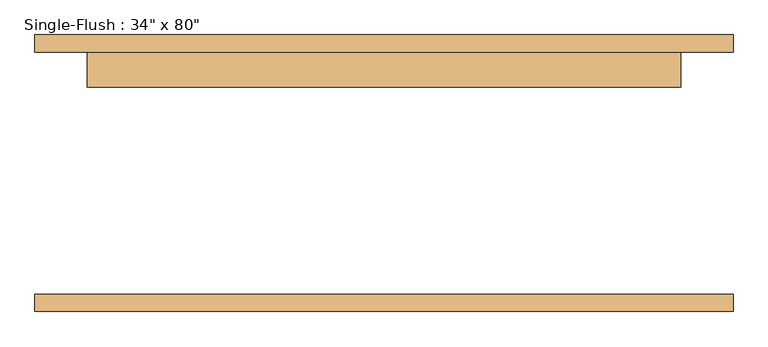
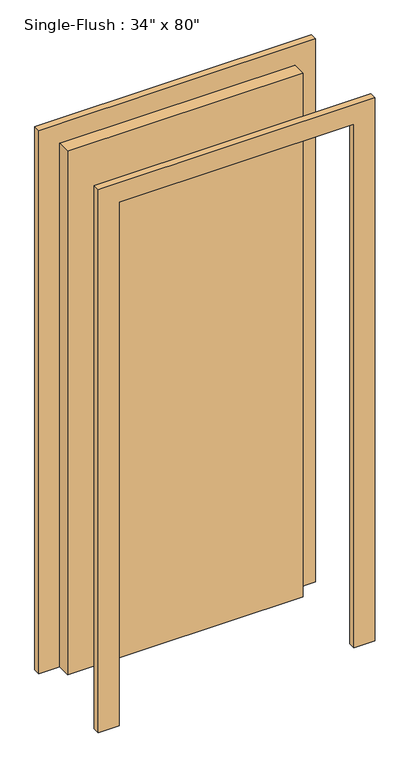
"""IFC4 building model written with IfcOpenShell, lengths in millimetres: door geometry."""

import ifcopenshell
import ifcopenshell.guid

model = None  # the IFC model being written
_history = None  # IfcOwnerHistory: only IFC2X3 demands one
_inside = {}  # id of a spatial element -> (the spatial element, [elements in it])
_under = {}  # id of a project, library or spatial element -> (it, [spatial elements below it])
_declared = {}  # id of a project -> (the project, [libraries it declares])
_typed = {}  # id of a type object -> (the type object, [elements of that type])
_made_of = {}  # id of a material, layer set ... -> (it, [elements and type objects made of it])


def new_model(schema):
    """Start an empty IFC model of exactly this schema.

    Asked for "IFC4X3", IfcOpenShell would pick the latest addendum, in which some entities
    have other attributes; the version numbers below select the first issue.
    IFC2X3 requires an IfcOwnerHistory on every rooted entity: one is made here for all.
    """
    global model, _history
    if schema == "IFC4X3":
        model = ifcopenshell.file(schema_version=(4, 3, 0, 0))
    else:
        model = ifcopenshell.file(schema=schema)
    _inside.clear()
    _under.clear()
    _declared.clear()
    _typed.clear()
    _made_of.clear()
    _history = None
    if model.schema == "IFC2X3":
        org = make("IfcOrganization", Name="unknown")
        user = make(
            "IfcPersonAndOrganization",
            ThePerson=make("IfcPerson", FamilyName="unknown"),
            TheOrganization=org,
        )
        app = make(
            "IfcApplication",
            ApplicationDeveloper=org,
            Version="unknown",
            ApplicationFullName="unknown",
            ApplicationIdentifier="unknown",
        )
        _history = make(
            "IfcOwnerHistory",
            OwningUser=user,
            OwningApplication=app,
            ChangeAction="ADDED",
            CreationDate=0,
        )
    return model


def make(cls, **values):
    """One entity of the class cls with the attributes given. An attribute that is None is left unset."""
    return model.create_entity(
        cls, **{name: value for name, value in values.items() if value is not None}
    )


def rooted(cls, **values):
    """An entity with a GlobalId (a new one), such as an element, a storey or a relation."""
    return make(cls, GlobalId=ifcopenshell.guid.new(), OwnerHistory=_history, **values)


def si_unit(unit_type, name, prefix=None):
    """IfcSIUnit, for example si_unit("LENGTHUNIT", "METRE", prefix="MILLI")."""
    return make("IfcSIUnit", UnitType=unit_type, Prefix=prefix, Name=name)


def assignment(units):
    """IfcUnitAssignment: the units of a project."""
    return None if units is None else make("IfcUnitAssignment", Units=units)


def point(xyz):
    """IfcCartesianPoint."""
    return None if xyz is None else make("IfcCartesianPoint", Coordinates=xyz)


def direction(xyz):
    """IfcDirection."""
    return None if xyz is None else make("IfcDirection", DirectionRatios=xyz)


def frame(location, z_axis=None, x_axis=None):
    """IfcAxis2Placement3D, a coordinate frame: its origin and axes. An axis left out is left unset."""
    return make(
        "IfcAxis2Placement3D",
        Location=point(location),
        Axis=direction(z_axis),
        RefDirection=direction(x_axis),
    )


def origin():
    """The frame at (0, 0, 0) with its axes left unset."""
    return frame((0.0, 0.0, 0.0))


def origin_with_axes():
    """The frame at (0, 0, 0) with the z axis (0, 0, 1) and the x axis (1, 0, 0) written out."""
    return frame((0.0, 0.0, 0.0), z_axis=(0.0, 0.0, 1.0), x_axis=(1.0, 0.0, 0.0))


def place(relative_to, where):
    """IfcLocalPlacement: puts the frame where relative to a parent placement (None: the world)."""
    return make(
        "IfcLocalPlacement", PlacementRelTo=relative_to, RelativePlacement=where
    )


def context(
    kind, dimensions, precision=None, world=None, true_north=None, identifier=None
):
    """IfcGeometricRepresentationContext, for example the 3D "Model" context."""
    return make(
        "IfcGeometricRepresentationContext",
        ContextIdentifier=identifier,
        ContextType=kind,
        CoordinateSpaceDimension=dimensions,
        Precision=precision,
        WorldCoordinateSystem=world,
        TrueNorth=true_north,
    )


def project(units=None, contexts=None):
    """IfcProject with its units and contexts."""
    return rooted(
        "IfcProject",
        Name="project",
        RepresentationContexts=contexts,
        UnitsInContext=assignment(units),
    )


def spatial(cls, under=None, at=None, **own):
    """A site, building, storey or space (cls), placed at a placement, below another one or the project."""
    s = rooted(cls, ObjectPlacement=at, **own)
    if under is not None:
        _under.setdefault(under.id(), (under, []))[1].append(s)
    return s


def polyline(points):
    """IfcPolyline through the points."""
    return make("IfcPolyline", Points=[point(p) for p in points])


def outline(outer, holes=None, kind="AREA"):
    """IfcArbitraryClosedProfileDef: a profile drawn as a closed curve; with holes, ...WithVoids."""
    if holes is None:
        return make("IfcArbitraryClosedProfileDef", ProfileType=kind, OuterCurve=outer)
    return make(
        "IfcArbitraryProfileDefWithVoids",
        ProfileType=kind,
        OuterCurve=outer,
        InnerCurves=holes,
    )


def extrude(swept, where, along, depth):
    """IfcExtrudedAreaSolid: the profile swept, set in the frame where, extruded along a direction by depth."""
    return make(
        "IfcExtrudedAreaSolid",
        SweptArea=swept,
        Position=where,
        ExtrudedDirection=direction(along),
        Depth=depth,
    )


def shape(context_of_items, identifier, shape_type, items):
    """IfcShapeRepresentation: the items that make up one representation, for example the "Body"."""
    return make(
        "IfcShapeRepresentation",
        ContextOfItems=context_of_items,
        RepresentationIdentifier=identifier,
        RepresentationType=shape_type,
        Items=items,
    )


def source(mapping_origin, context_of_items, identifier, shape_type, items):
    """IfcRepresentationMap: a shape defined once, which mapped items show again and again."""
    return make(
        "IfcRepresentationMap",
        MappingOrigin=mapping_origin,
        MappedRepresentation=shape(context_of_items, identifier, shape_type, items),
    )


def transform(
    local_origin,
    x_axis=None,
    y_axis=None,
    z_axis=None,
    scale=None,
    scale2=None,
    scale3=None,
    uniform=True,
):
    """IfcCartesianTransformationOperator3D, or its non-uniform kind. x_axis, y_axis, z_axis: its Axis1, 2, 3."""
    if uniform:
        return make(
            "IfcCartesianTransformationOperator3D",
            Axis1=direction(x_axis),
            Axis2=direction(y_axis),
            LocalOrigin=point(local_origin),
            Scale=scale,
            Axis3=direction(z_axis),
        )
    return make(
        "IfcCartesianTransformationOperator3DnonUniform",
        Axis1=direction(x_axis),
        Axis2=direction(y_axis),
        LocalOrigin=point(local_origin),
        Scale=scale,
        Axis3=direction(z_axis),
        Scale2=scale2,
        Scale3=scale3,
    )


def mapped(mapping_source, mapping_target):
    """IfcMappedItem: shows the shape of a source again, moved by a transform."""
    return make(
        "IfcMappedItem", MappingSource=mapping_source, MappingTarget=mapping_target
    )


def made_of(thing, what):
    """Note that an element or type object is made of a material, layer set ...; save() writes the relation."""
    if what is not None:
        _made_of.setdefault(what.id(), (what, []))[1].append(thing)
    return thing


def element(
    cls,
    number,
    at=None,
    inside=None,
    cuts=None,
    type_object=None,
    material=None,
    context=None,
    identifier="Body",
    shape_type=None,
    held_by="IfcProductDefinitionShape",
    body=None,
    shapes=None,
    **own,
):
    """One element of the class cls, such as IfcWall. Its Tag is "e" and its number.

    at: its placement. inside: the storey or other place that contains it. cuts: it is an
    opening in that element (IfcRelVoidsElement). A single representation is given by context,
    identifier, shape_type and body (its items); several are given by shapes. held_by: the class
    of the entity that holds the representations. save() writes the other relations.
    """
    e = rooted(cls, Tag="e%d" % number, ObjectPlacement=at, **own)
    if body is not None:
        shapes = [shape(context, identifier, shape_type, body)]
    if shapes is not None:
        e.Representation = make(held_by, Representations=shapes)
    if inside is not None:
        _inside.setdefault(inside.id(), (inside, []))[1].append(e)
    if cuts is not None:
        rooted(
            "IfcRelVoidsElement", RelatingBuildingElement=cuts, RelatedOpeningElement=e
        )
    if type_object is not None:
        _typed.setdefault(type_object.id(), (type_object, []))[1].append(e)
    return made_of(e, material)


def aggregate(whole, parts):
    """IfcRelAggregates: a whole, such as a stair, and the parts it consists of."""
    return rooted("IfcRelAggregates", RelatingObject=whole, RelatedObjects=parts)


def save(model, path):
    """Write the relations noted so far, then the file.

    IfcRelAggregates (storeys below a building ...), IfcRelContainedInSpatialStructure (elements
    in a storey), IfcRelDefinesByType, IfcRelAssociatesMaterial and IfcRelDeclares: one each for
    every whole, place, type object, material and project.
    """
    for whole, parts in _under.values():
        aggregate(whole, parts)
    for where, things in _inside.values():
        rooted(
            "IfcRelContainedInSpatialStructure",
            RelatedElements=things,
            RelatingStructure=where,
        )
    for kind, things in _typed.values():
        rooted("IfcRelDefinesByType", RelatedObjects=things, RelatingType=kind)
    for what, things in _made_of.values():
        rooted("IfcRelAssociatesMaterial", RelatedObjects=things, RelatingMaterial=what)
    for by, libraries in _declared.values():
        rooted("IfcRelDeclares", RelatingContext=by, RelatedDefinitions=libraries)
    model.write(path)


def door_f5d74769(model_context):
    return source(origin(), model_context, "Body", "SweptSolid", [
        extrude(outline(polyline([(2108.2, -508.0), (0.0, -508.0), (0.0, -431.8), (2032.0, -431.8), (2032.0, 431.8), (0.0, 431.8), (0.0, 508.0), (2108.2, 508.0), (2108.2, -508.0)])), frame((0.0, 176.2125, 0.0), z_axis=(0.0, 1.0, 0.0), x_axis=(0.0, 0.0, 1.0)), (0.0, 0.0, 1.0), 25.4),
        extrude(outline(polyline([(2108.2, 508.0), (2108.2, -508.0), (0.0, -508.0), (0.0, -431.8), (2032.0, -431.8), (2032.0, 431.8), (0.0, 431.8), (0.0, 508.0), (2108.2, 508.0)])), frame((0.0, -201.6125, 0.0), z_axis=(0.0, 1.0, 0.0), x_axis=(0.0, 0.0, 1.0)), (0.0, 0.0, 1.0), 25.4),
        extrude(outline(polyline([(431.8, 125.4125), (-431.8, 125.4125), (-431.8, 176.2125), (431.8, 176.2125), (431.8, 125.4125)])), origin_with_axes(), (0.0, 0.0, 1.0), 2032.0),
    ])


if __name__ == "__main__":
    model = new_model("IFC4")
    model_context = context("Model", 3, world=origin())
    ifc_project = project(units=[si_unit("LENGTHUNIT", "METRE", prefix="MILLI")], contexts=[model_context])
    site = spatial("IfcSite", under=ifc_project)
    building = spatial("IfcBuilding", under=site)
    placement = place(None, origin())
    door_shape = door_f5d74769(model_context)
    element("IfcDoor", 1, ObjectType="Single-Flush : 34\" x 80\"", at=placement, inside=building, context=model_context, shape_type="MappedRepresentation", body=[
        mapped(door_shape, transform((0.0, 0.0, 0.0), x_axis=(1.0, 0.0, 0.0), y_axis=(0.0, 1.0, 0.0), z_axis=(0.0, 0.0, 1.0))),
    ])
    save(model, "model.ifc")
